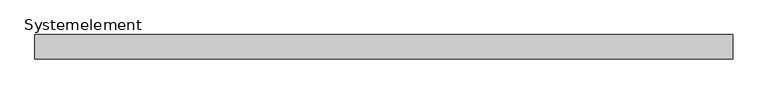
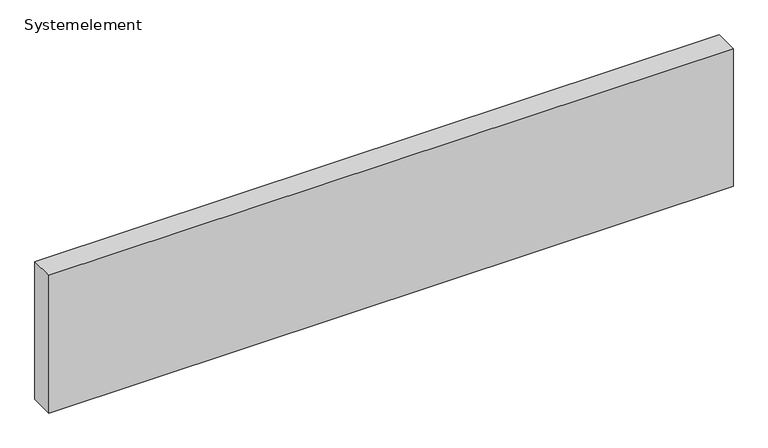
"""IFC4 building model written with IfcOpenShell, lengths in millimetres: plate geometry, Systemelement."""

from ifc_helpers import new_model, si_unit, origin, origin_with_axes, place, context, project, spatial, polyline, outline, extrude, source, transform, mapped, element, save


def systemelement_07028c10(model_context):
    return source(origin(), model_context, "Body", "SweptSolid", [
        extrude(outline(polyline([(2000.0, -140.0), (-2000.0, -140.0), (-2000.0, 0.0), (2000.0, 0.0), (2000.0, -140.0)])), origin_with_axes(), (0.0, 0.0, 1.0), 851.6147161),
    ])


if __name__ == "__main__":
    model = new_model("IFC4")
    model_context = context("Model", 3, world=origin())
    ifc_project = project(units=[si_unit("LENGTHUNIT", "METRE", prefix="MILLI")], contexts=[model_context])
    site = spatial("IfcSite", under=ifc_project)
    building = spatial("IfcBuilding", under=site)
    placement = place(None, origin())
    systemelement_shape = systemelement_07028c10(model_context)
    element("IfcPlate", 1, ObjectType="Systemelement", at=placement, inside=building, context=model_context, shape_type="MappedRepresentation", body=[
        mapped(systemelement_shape, transform((0.0, 0.0, 0.0), x_axis=(1.0, 0.0, 0.0), y_axis=(0.0, 1.0, 0.0), z_axis=(0.0, 0.0, 1.0))),
    ])
    save(model, "model.ifc")
